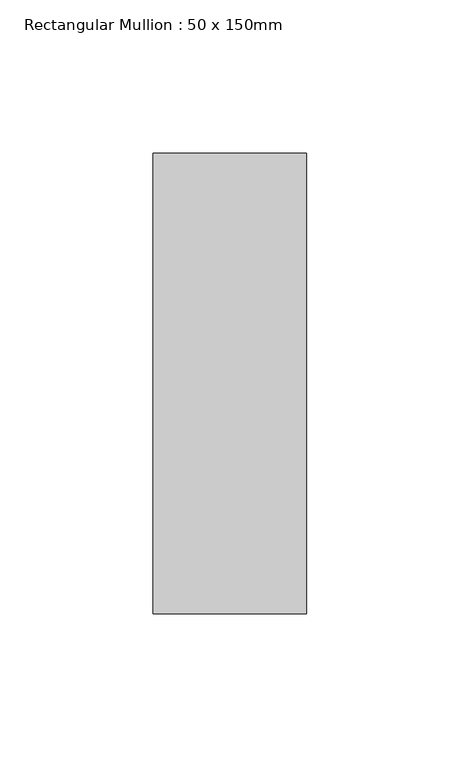
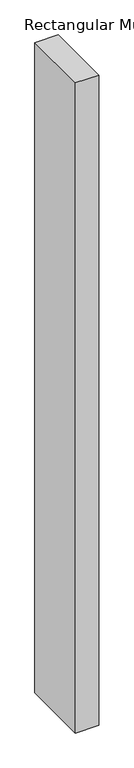
"""IFC4 building model written with IfcOpenShell, lengths in millimetres: member geometry, Rectangular Mullion : 50 x 150mm."""

from ifc_helpers import new_model, si_unit, frame, origin, place, context, project, spatial, polyline, outline, extrude, source, transform, mapped, element, save


def rectangular_mullion_50_x_150mm_cb9dd16c(model_context):
    return source(origin(), model_context, "Body", "SweptSolid", [
        extrude(outline(polyline([(25.0, 75.0), (25.0, -75.0), (-25.0, -75.0), (-25.0, 75.0), (25.0, 75.0)])), frame((0.0, 0.0, -1469.9999998), z_axis=(0.0, 0.0, 1.0), x_axis=(1.0, 0.0, 0.0)), (0.0, 0.0, 1.0), 1469.9999998),
    ])


if __name__ == "__main__":
    model = new_model("IFC4")
    model_context = context("Model", 3, world=origin())
    ifc_project = project(units=[si_unit("LENGTHUNIT", "METRE", prefix="MILLI")], contexts=[model_context])
    site = spatial("IfcSite", under=ifc_project)
    building = spatial("IfcBuilding", under=site)
    placement = place(None, origin())
    rectangular_mullion_50_x_150mm_shape = rectangular_mullion_50_x_150mm_cb9dd16c(model_context)
    element("IfcMember", 1, ObjectType="Rectangular Mullion : 50 x 150mm", at=placement, inside=building, context=model_context, shape_type="MappedRepresentation", body=[
        mapped(rectangular_mullion_50_x_150mm_shape, transform((0.0, 0.0, 0.0), x_axis=(1.0, 0.0, 0.0), y_axis=(0.0, 1.0, 0.0), z_axis=(0.0, 0.0, 1.0))),
    ])
    save(model, "model.ifc")
